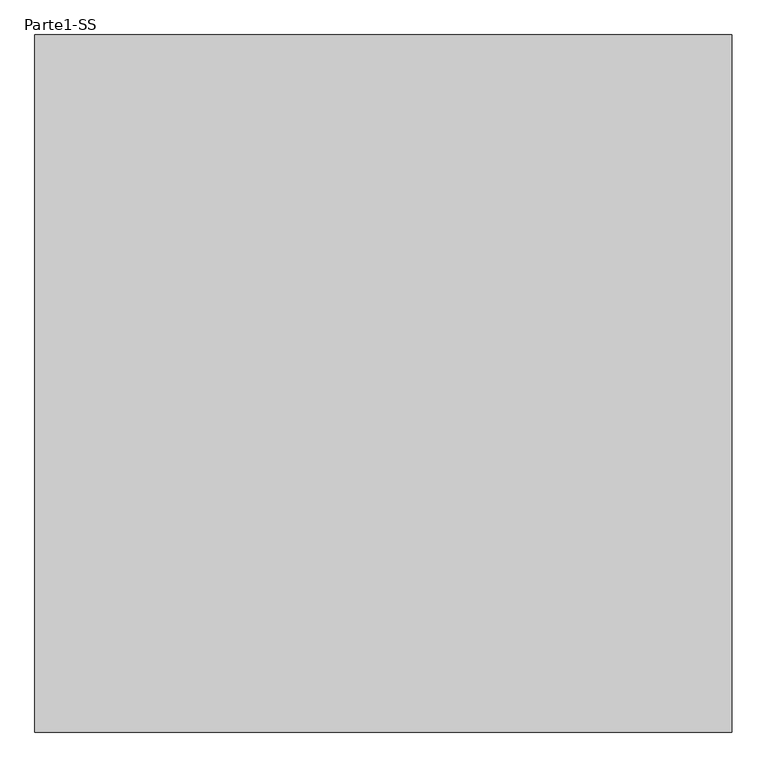
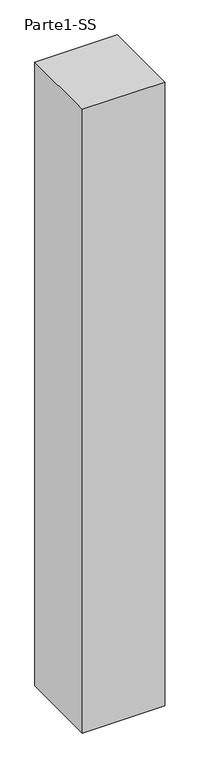
"""IFC4 building model written with IfcOpenShell, lengths in millimetres: proxy geometry, Parte1-SS."""

from ifc_helpers import new_model, si_unit, frame, origin, place, context, project, spatial, polyline, outline, extrude, source, transform, mapped, element, save


def parte1_ss_8711a79d(model_context):
    return source(origin(), model_context, "Body", "SweptSolid", [
        extrude(outline(polyline([(10000.0, 10000.0), (10000.0, 0.0), (0.0, 0.0), (0.0, 10000.0), (10000.0, 10000.0)])), frame((0.0, 0.0, 25000.0), z_axis=(0.0, 0.0, 1.0), x_axis=(1.0, 0.0, 0.0)), (0.0, 0.0, 1.0), 80000.0),
    ])


if __name__ == "__main__":
    model = new_model("IFC4")
    model_context = context("Model", 3, world=origin())
    ifc_project = project(units=[si_unit("LENGTHUNIT", "METRE", prefix="MILLI")], contexts=[model_context])
    site = spatial("IfcSite", under=ifc_project)
    building = spatial("IfcBuilding", under=site)
    placement = place(None, origin())
    parte1_ss_shape = parte1_ss_8711a79d(model_context)
    element("IfcBuildingElementProxy", 1, Name="Parte1-SS", ObjectType="Parte1-SS", at=placement, inside=building, context=model_context, shape_type="MappedRepresentation", body=[
        mapped(parte1_ss_shape, transform((0.0, 0.0, 0.0), x_axis=(1.0, 0.0, 0.0), y_axis=(0.0, 1.0, 0.0), z_axis=(0.0, 0.0, 1.0))),
    ])
    save(model, "model.ifc")
